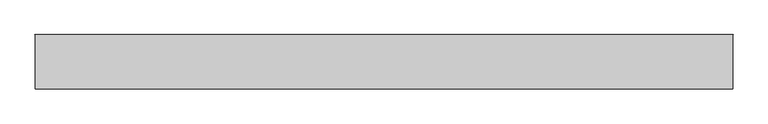
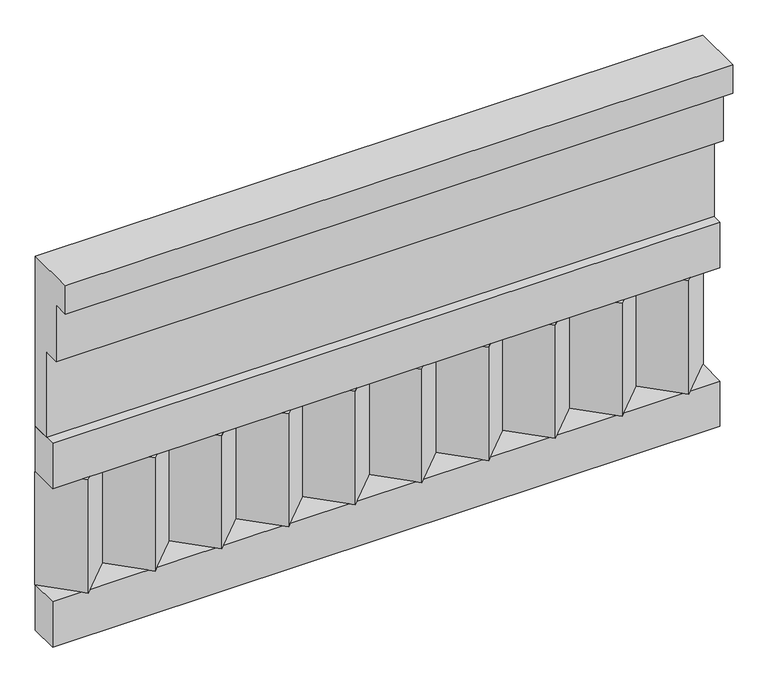
"""IFC4 building model written with IfcOpenShell, lengths in millimetres: railing geometry."""

from ifc_helpers import new_model, si_unit, frame, origin, place, context, project, spatial, polyline, outline, extrude, source, transform, mapped, element, save


def railing_3682051f(model_context):
    return source(origin(), model_context, "Body", "SweptSolid", [
        extrude(outline(polyline([(-16816.8920513, 18500.0), (-16816.8920513, 18050.0), (-16866.8920513, 18050.0), (-16866.8920513, 18275.0), (-16906.8920513, 18275.0), (-16906.8920513, 18425.0), (-16946.8920513, 18425.0), (-16946.8920513, 18500.0), (-16816.8920513, 18500.0)])), frame((-40039.9887159, 0.0, 0.0), z_axis=(1.0, 0.0, 0.0), x_axis=(0.0, 1.0, 0.0)), (0.0, 0.0, 1.0), 1670.0),
        extrude(outline(polyline([(-40039.9887159, -16891.8920513), (-40039.9887159, -16816.8920513), (-38369.9887159, -16816.8920513), (-38369.9887159, -16891.8920513), (-40039.9887159, -16891.8920513)])), frame((0.0, 0.0, 17930.0), z_axis=(0.0, 0.0, 1.0), x_axis=(1.0, 0.0, 0.0)), (0.0, 0.0, 1.0), 120.0),
        extrude(outline(polyline([(-40039.9887159, -16891.8920513), (-40039.9887159, -16816.8920513), (-38369.9887159, -16816.8920513), (-38369.9887159, -16891.8920513), (-40039.9887159, -16891.8920513)])), frame((0.0, 0.0, 17510.0), z_axis=(0.0, 0.0, 1.0), x_axis=(1.0, 0.0, 0.0)), (0.0, 0.0, 1.0), 120.0),
        extrude(outline(polyline([(-38453.4887159, -16901.7448651), (-38538.3415296, -16816.8920513), (-38368.6359022, -16816.8920513), (-38453.4887159, -16901.7448651)])), frame((0.0, 0.0, 17630.0), z_axis=(0.0, 0.0, 1.0), x_axis=(1.0, 0.0, 0.0)), (0.0, 0.0, 1.0), 300.0),
        extrude(outline(polyline([(-38620.4887159, -16901.7448651), (-38705.3415296, -16816.8920513), (-38535.6359022, -16816.8920513), (-38620.4887159, -16901.7448651)])), frame((0.0, 0.0, 17630.0), z_axis=(0.0, 0.0, 1.0), x_axis=(1.0, 0.0, 0.0)), (0.0, 0.0, 1.0), 300.0),
        extrude(outline(polyline([(-38787.4887159, -16901.7448651), (-38872.3415296, -16816.8920513), (-38702.6359022, -16816.8920513), (-38787.4887159, -16901.7448651)])), frame((0.0, 0.0, 17630.0), z_axis=(0.0, 0.0, 1.0), x_axis=(1.0, 0.0, 0.0)), (0.0, 0.0, 1.0), 300.0),
        extrude(outline(polyline([(-38954.4887159, -16901.7448651), (-39039.3415296, -16816.8920513), (-38869.6359022, -16816.8920513), (-38954.4887159, -16901.7448651)])), frame((0.0, 0.0, 17630.0), z_axis=(0.0, 0.0, 1.0), x_axis=(1.0, 0.0, 0.0)), (0.0, 0.0, 1.0), 300.0),
        extrude(outline(polyline([(-39121.4887159, -16901.7448651), (-39206.3415296, -16816.8920513), (-39036.6359022, -16816.8920513), (-39121.4887159, -16901.7448651)])), frame((0.0, 0.0, 17630.0), z_axis=(0.0, 0.0, 1.0), x_axis=(1.0, 0.0, 0.0)), (0.0, 0.0, 1.0), 300.0),
        extrude(outline(polyline([(-39288.4887159, -16901.7448651), (-39373.3415296, -16816.8920513), (-39203.6359022, -16816.8920513), (-39288.4887159, -16901.7448651)])), frame((0.0, 0.0, 17630.0), z_axis=(0.0, 0.0, 1.0), x_axis=(1.0, 0.0, 0.0)), (0.0, 0.0, 1.0), 300.0),
        extrude(outline(polyline([(-39455.4887159, -16901.7448651), (-39540.3415296, -16816.8920513), (-39370.6359022, -16816.8920513), (-39455.4887159, -16901.7448651)])), frame((0.0, 0.0, 17630.0), z_axis=(0.0, 0.0, 1.0), x_axis=(1.0, 0.0, 0.0)), (0.0, 0.0, 1.0), 300.0),
        extrude(outline(polyline([(-39622.4887159, -16901.7448651), (-39707.3415296, -16816.8920513), (-39537.6359022, -16816.8920513), (-39622.4887159, -16901.7448651)])), frame((0.0, 0.0, 17630.0), z_axis=(0.0, 0.0, 1.0), x_axis=(1.0, 0.0, 0.0)), (0.0, 0.0, 1.0), 300.0),
        extrude(outline(polyline([(-39789.4887159, -16901.7448651), (-39874.3415296, -16816.8920513), (-39704.6359022, -16816.8920513), (-39789.4887159, -16901.7448651)])), frame((0.0, 0.0, 17630.0), z_axis=(0.0, 0.0, 1.0), x_axis=(1.0, 0.0, 0.0)), (0.0, 0.0, 1.0), 300.0),
        extrude(outline(polyline([(-39956.4887159, -16901.7448651), (-40041.3415296, -16816.8920513), (-39871.6359022, -16816.8920513), (-39956.4887159, -16901.7448651)])), frame((0.0, 0.0, 17630.0), z_axis=(0.0, 0.0, 1.0), x_axis=(1.0, 0.0, 0.0)), (0.0, 0.0, 1.0), 300.0),
    ])


if __name__ == "__main__":
    model = new_model("IFC4")
    model_context = context("Model", 3, world=origin())
    ifc_project = project(units=[si_unit("LENGTHUNIT", "METRE", prefix="MILLI")], contexts=[model_context])
    site = spatial("IfcSite", under=ifc_project)
    building = spatial("IfcBuilding", under=site)
    placement = place(None, origin())
    railing_shape = railing_3682051f(model_context)
    element("IfcRailing", 1, at=placement, inside=building, context=model_context, shape_type="MappedRepresentation", body=[
        mapped(railing_shape, transform((0.0, 0.0, 0.0), x_axis=(1.0, 0.0, 0.0), y_axis=(0.0, 1.0, 0.0), z_axis=(0.0, 0.0, 1.0))),
    ])
    save(model, "model.ifc")
